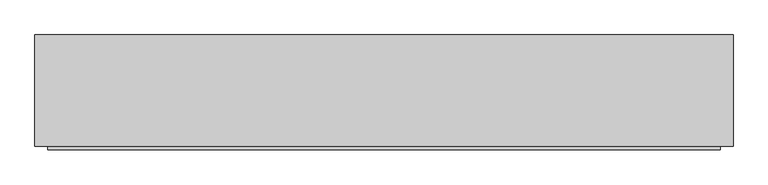
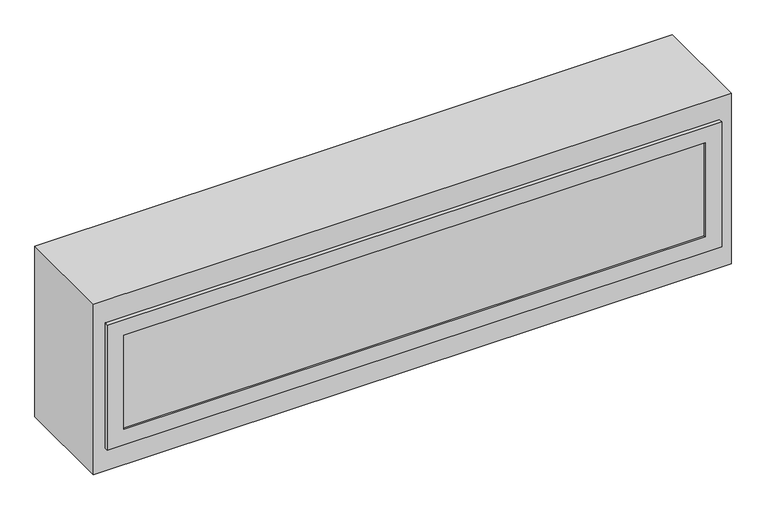
"""IFC4 building model written with IfcOpenShell, lengths in millimetres: proxy geometry."""

from ifc_helpers import new_model, si_unit, origin, origin_with_axes, place, context, project, spatial, polyline, outline, extrude, faceted_brep, source, transform, mapped, element, save


def generic_models_c3484669(model_context):
    return source(origin(), model_context, "Body", "SolidModel", [
        faceted_brep([(946.94375, -11.1125, 482.0046875), (946.94375, 0.0, 482.0046875), (-946.94375, 0.0, 482.0046875), (-946.94375, -11.1125, 482.0046875), (946.94375, -11.1125, 73.6203125), (-946.94375, -11.1125, 73.6203125), (-946.94375, 0.0, 73.6203125), (946.94375, 0.0, 73.6203125), (-896.14375, -11.1125, 431.2046875), (896.14375, -11.1125, 431.2046875), (896.14375, -11.1125, 124.4203125), (-896.14375, -11.1125, 124.4203125), (896.14375, -5.5999181, 431.2046875), (-896.14375, -5.5999181, 431.2046875), (-896.14375, -5.5999181, 124.4203125), (896.14375, -5.5999181, 124.4203125)], [[[0, 1, 2, 3]], [[4, 5, 6, 7]], [[1, 0, 4, 7]], [[2, 1, 7, 6]], [[3, 2, 6, 5]], [[0, 3, 5, 4], [8, 9, 10, 11]], [[12, 13, 14, 15]], [[13, 12, 9, 8]], [[14, 13, 8, 11]], [[15, 14, 11, 10]], [[12, 15, 10, 9]]]),
        extrude(outline(polyline([(982.6625, 0.0), (-982.6625, 0.0), (-982.6625, 312.7375), (982.6625, 312.7375), (982.6625, 0.0)])), origin_with_axes(), (0.0, 0.0, 1.0), 555.625),
    ])


if __name__ == "__main__":
    model = new_model("IFC4")
    model_context = context("Model", 3, world=origin())
    ifc_project = project(units=[si_unit("LENGTHUNIT", "METRE", prefix="MILLI")], contexts=[model_context])
    site = spatial("IfcSite", under=ifc_project)
    building = spatial("IfcBuilding", under=site)
    placement = place(None, origin())
    generic_models_shape = generic_models_c3484669(model_context)
    element("IfcBuildingElementProxy", 1, Name="Generic Models", at=placement, inside=building, context=model_context, shape_type="MappedRepresentation", body=[
        mapped(generic_models_shape, transform((0.0, 0.0, 0.0), x_axis=(1.0, 0.0, 0.0), y_axis=(0.0, 1.0, 0.0), z_axis=(0.0, 0.0, 1.0))),
    ])
    save(model, "model.ifc")
